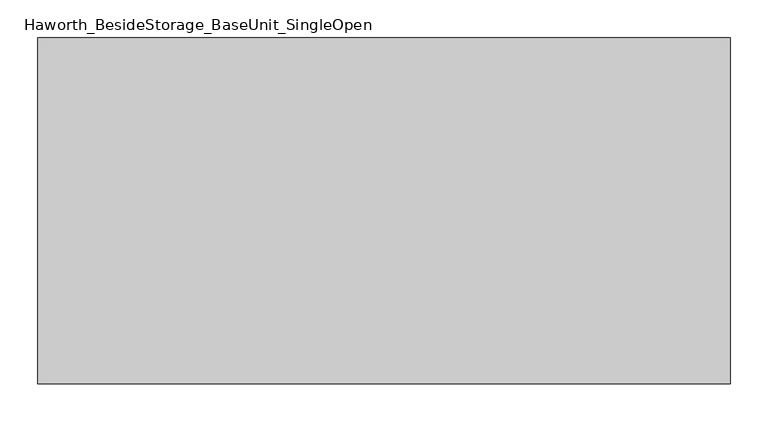
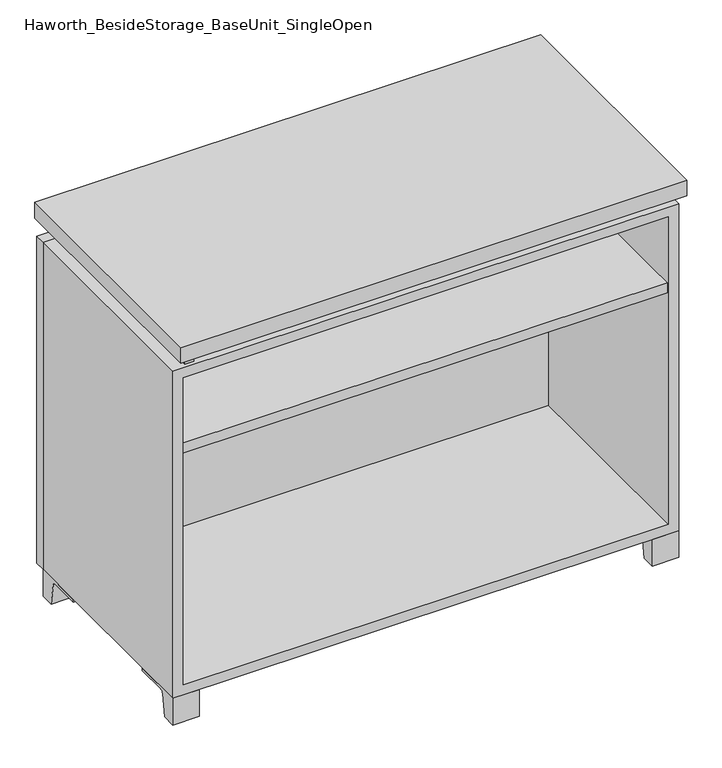
"""IFC4 building model written with IfcOpenShell, lengths in millimetres: furniture geometry, Haworth_BesideStorage_BaseUnit_SingleOpen."""

from ifc_helpers import new_model, si_unit, point, frame, frame_2d, origin, place, context, project, spatial, polyline, circle_curve, trimmed, segment, composite_curve, outline, extrude, source, transform, mapped, element, save


def haworth_besidestorage_baseunit_singleopen_21c8f14a(model_context):
    return source(origin(), model_context, "Body", "SweptSolid", [
        extrude(outline(polyline([(438.1638906, 222.25), (438.1638906, -136.525), (-438.1361094, -136.525), (-438.1361094, 222.25), (438.1638906, 222.25)])), frame((0.0, 0.0, 510.38125), z_axis=(0.0, 0.0, 1.0), x_axis=(1.0, 0.0, 0.0)), (0.0, 0.0, 1.0), 19.05),
        extrude(outline(polyline([(457.2138906, 292.1), (457.2138906, -165.1), (-457.1861094, -165.1), (-457.1861094, 292.1), (457.2138906, 292.1)])), frame((0.0, 0.0, 706.4375), z_axis=(0.0, 0.0, 1.0), x_axis=(1.0, 0.0, 0.0)), (0.0, 0.0, 1.0), 30.1625),
        extrude(outline(composite_curve([segment(polyline([(-114.3000136, 0.0), (-139.7, 0.0), (-139.7, 50.8), (-44.45, 50.8), (-44.45, 46.0213321), (-101.2505345, 46.0213321)]), True, "CONTINUOUS"), segment(trimmed(circle_curve(frame_2d((-101.2505345, 39.6713321)), 6.35), [point((-101.2505345, 46.0213321))], [point((-107.5141359, 40.7152656))], True, "CARTESIAN"), True, "CONTINUOUS"), segment(polyline([(-107.5141359, 40.7152656), (-114.3000136, 0.0)]), True, "CONTINUOUS")], self_intersect=False)), frame((409.5888906, 0.0, 0.0), z_axis=(1.0, 0.0, 0.0), x_axis=(0.0, 1.0, 0.0)), (0.0, 0.0, 1.0), 47.625),
        extrude(outline(composite_curve([segment(polyline([(241.3000136, 0.0), (234.5141359, 40.7152656)]), True, "CONTINUOUS"), segment(trimmed(circle_curve(frame_2d((228.2505345, 39.6713321)), 6.35), [point((234.5141359, 40.7152656))], [point((228.2505345, 46.0213321))], True, "CARTESIAN"), True, "CONTINUOUS"), segment(polyline([(228.2505345, 46.0213321), (171.45, 46.0213321), (171.45, 50.8), (266.7, 50.8), (266.7, 0.0), (241.3000136, 0.0)]), True, "CONTINUOUS")], self_intersect=False)), frame((409.5888906, 0.0, 0.0), z_axis=(1.0, 0.0, 0.0), x_axis=(0.0, 1.0, 0.0)), (0.0, 0.0, 1.0), 47.625),
        extrude(outline(composite_curve([segment(polyline([(-114.3000136, 0.0), (-139.7, 0.0), (-139.7, 50.8), (-44.45, 50.8), (-44.45, 46.0213321), (-101.2505345, 46.0213321)]), True, "CONTINUOUS"), segment(trimmed(circle_curve(frame_2d((-101.2505345, 39.6713321)), 6.35), [point((-101.2505345, 46.0213321))], [point((-107.5141359, 40.7152656))], True, "CARTESIAN"), True, "CONTINUOUS"), segment(polyline([(-107.5141359, 40.7152656), (-114.3000136, 0.0)]), True, "CONTINUOUS")], self_intersect=False)), frame((-457.1861094, 0.0, 0.0), z_axis=(1.0, 0.0, 0.0), x_axis=(0.0, 1.0, 0.0)), (0.0, 0.0, 1.0), 47.625),
        extrude(outline(composite_curve([segment(polyline([(241.3000136, 0.0), (234.5141359, 40.7152656)]), True, "CONTINUOUS"), segment(trimmed(circle_curve(frame_2d((228.2505345, 39.6713321)), 6.35), [point((234.5141359, 40.7152656))], [point((228.2505345, 46.0213321))], True, "CARTESIAN"), True, "CONTINUOUS"), segment(polyline([(228.2505345, 46.0213321), (171.45, 46.0213321), (171.45, 50.8), (266.7, 50.8), (266.7, 0.0), (241.3000136, 0.0)]), True, "CONTINUOUS")], self_intersect=False)), frame((-457.1861094, 0.0, 0.0), z_axis=(1.0, 0.0, 0.0), x_axis=(0.0, 1.0, 0.0)), (0.0, 0.0, 1.0), 47.625),
        extrude(outline(polyline([(-431.7791641, -133.35), (-431.7791641, 234.95), (-415.9041641, 234.95), (-415.9041641, 73.025), (415.9111094, 73.025), (415.9111094, 247.65), (431.7861094, 247.65), (431.7861094, -120.65), (415.9111094, -120.65), (415.9111094, 53.975), (-415.9041641, 53.975), (-415.9041641, -133.35), (-431.7791641, -133.35)])), frame((0.0, 0.0, 676.275), z_axis=(0.0, 0.0, 1.0), x_axis=(1.0, 0.0, 0.0)), (0.0, 0.0, 1.0), 30.1625),
        extrude(outline(polyline([(457.2138906, 266.7), (-457.1861094, 266.7), (-457.1861094, 285.75), (457.2138906, 285.75), (457.2138906, 266.7)])), frame((0.0, 0.0, 50.8), z_axis=(0.0, 0.0, 1.0), x_axis=(1.0, 0.0, 0.0)), (0.0, 0.0, 1.0), 625.475),
        extrude(outline(polyline([(50.8, -457.1861094), (50.8, 457.2138906), (676.275, 457.2138906), (676.275, -457.1861094), (50.8, -457.1861094)]), holes=[polyline([(69.85, -438.1361094), (657.225, -438.1361094), (657.225, 438.1569453), (69.85, 438.1569453), (69.85, -438.1361094)])]), frame((0.0, -139.7, 0.0), z_axis=(0.0, 1.0, 0.0), x_axis=(0.0, 0.0, 1.0)), (0.0, 0.0, 1.0), 406.4),
        extrude(outline(polyline([(-438.1291641, 234.95), (-438.1291641, 241.3), (438.1569453, 241.3), (438.1569453, 234.95), (-438.1291641, 234.95)])), frame((0.0, 0.0, 69.85), z_axis=(0.0, 0.0, 1.0), x_axis=(1.0, 0.0, 0.0)), (0.0, 0.0, 1.0), 587.375),
    ])


if __name__ == "__main__":
    model = new_model("IFC4")
    model_context = context("Model", 3, world=origin())
    ifc_project = project(units=[si_unit("LENGTHUNIT", "METRE", prefix="MILLI")], contexts=[model_context])
    site = spatial("IfcSite", under=ifc_project)
    building = spatial("IfcBuilding", under=site)
    placement = place(None, origin())
    haworth_besidestorage_baseunit_singleopen_shape = haworth_besidestorage_baseunit_singleopen_21c8f14a(model_context)
    element("IfcFurniture", 1, ObjectType="Haworth_BesideStorage_BaseUnit_SingleOpen", at=placement, inside=building, context=model_context, shape_type="MappedRepresentation", body=[
        mapped(haworth_besidestorage_baseunit_singleopen_shape, transform((0.0, 0.0, 0.0), x_axis=(1.0, 0.0, 0.0), y_axis=(0.0, 1.0, 0.0), z_axis=(0.0, 0.0, 1.0))),
    ])
    save(model, "model.ifc")
